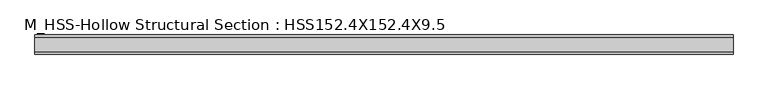
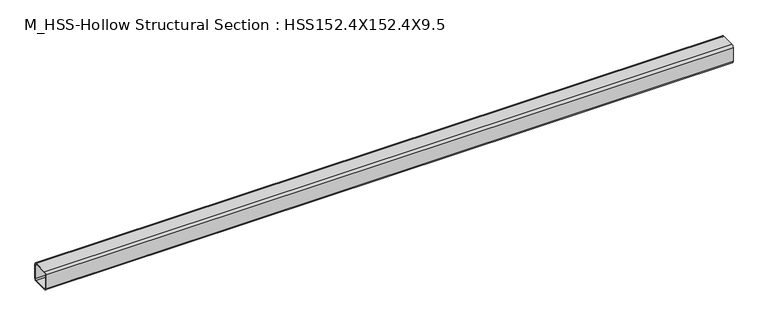
"""IFC4 building model written with IfcOpenShell, lengths in millimetres: member geometry, M_HSS-Hollow Structural Section : HSS152.4X152.4X9.5."""

import ifcopenshell
import ifcopenshell.guid

model = None  # the IFC model being written
_history = None  # IfcOwnerHistory: only IFC2X3 demands one
_inside = {}  # id of a spatial element -> (the spatial element, [elements in it])
_under = {}  # id of a project, library or spatial element -> (it, [spatial elements below it])
_declared = {}  # id of a project -> (the project, [libraries it declares])
_typed = {}  # id of a type object -> (the type object, [elements of that type])
_made_of = {}  # id of a material, layer set ... -> (it, [elements and type objects made of it])


def new_model(schema):
    """Start an empty IFC model of exactly this schema.

    Asked for "IFC4X3", IfcOpenShell would pick the latest addendum, in which some entities
    have other attributes; the version numbers below select the first issue.
    IFC2X3 requires an IfcOwnerHistory on every rooted entity: one is made here for all.
    """
    global model, _history
    if schema == "IFC4X3":
        model = ifcopenshell.file(schema_version=(4, 3, 0, 0))
    else:
        model = ifcopenshell.file(schema=schema)
    _inside.clear()
    _under.clear()
    _declared.clear()
    _typed.clear()
    _made_of.clear()
    _history = None
    if model.schema == "IFC2X3":
        org = make("IfcOrganization", Name="unknown")
        user = make(
            "IfcPersonAndOrganization",
            ThePerson=make("IfcPerson", FamilyName="unknown"),
            TheOrganization=org,
        )
        app = make(
            "IfcApplication",
            ApplicationDeveloper=org,
            Version="unknown",
            ApplicationFullName="unknown",
            ApplicationIdentifier="unknown",
        )
        _history = make(
            "IfcOwnerHistory",
            OwningUser=user,
            OwningApplication=app,
            ChangeAction="ADDED",
            CreationDate=0,
        )
    return model


def make(cls, **values):
    """One entity of the class cls with the attributes given. An attribute that is None is left unset."""
    return model.create_entity(
        cls, **{name: value for name, value in values.items() if value is not None}
    )


def rooted(cls, **values):
    """An entity with a GlobalId (a new one), such as an element, a storey or a relation."""
    return make(cls, GlobalId=ifcopenshell.guid.new(), OwnerHistory=_history, **values)


def si_unit(unit_type, name, prefix=None):
    """IfcSIUnit, for example si_unit("LENGTHUNIT", "METRE", prefix="MILLI")."""
    return make("IfcSIUnit", UnitType=unit_type, Prefix=prefix, Name=name)


def assignment(units):
    """IfcUnitAssignment: the units of a project."""
    return None if units is None else make("IfcUnitAssignment", Units=units)


def point(xyz):
    """IfcCartesianPoint."""
    return None if xyz is None else make("IfcCartesianPoint", Coordinates=xyz)


def direction(xyz):
    """IfcDirection."""
    return None if xyz is None else make("IfcDirection", DirectionRatios=xyz)


def frame(location, z_axis=None, x_axis=None):
    """IfcAxis2Placement3D, a coordinate frame: its origin and axes. An axis left out is left unset."""
    return make(
        "IfcAxis2Placement3D",
        Location=point(location),
        Axis=direction(z_axis),
        RefDirection=direction(x_axis),
    )


def frame_2d(location, x_axis=None):
    """IfcAxis2Placement2D, a coordinate frame in the plane: its origin and x axis."""
    return make(
        "IfcAxis2Placement2D", Location=point(location), RefDirection=direction(x_axis)
    )


def origin():
    """The frame at (0, 0, 0) with its axes left unset."""
    return frame((0.0, 0.0, 0.0))


def place(relative_to, where):
    """IfcLocalPlacement: puts the frame where relative to a parent placement (None: the world)."""
    return make(
        "IfcLocalPlacement", PlacementRelTo=relative_to, RelativePlacement=where
    )


def context(
    kind, dimensions, precision=None, world=None, true_north=None, identifier=None
):
    """IfcGeometricRepresentationContext, for example the 3D "Model" context."""
    return make(
        "IfcGeometricRepresentationContext",
        ContextIdentifier=identifier,
        ContextType=kind,
        CoordinateSpaceDimension=dimensions,
        Precision=precision,
        WorldCoordinateSystem=world,
        TrueNorth=true_north,
    )


def project(units=None, contexts=None):
    """IfcProject with its units and contexts."""
    return rooted(
        "IfcProject",
        Name="project",
        RepresentationContexts=contexts,
        UnitsInContext=assignment(units),
    )


def spatial(cls, under=None, at=None, **own):
    """A site, building, storey or space (cls), placed at a placement, below another one or the project."""
    s = rooted(cls, ObjectPlacement=at, **own)
    if under is not None:
        _under.setdefault(under.id(), (under, []))[1].append(s)
    return s


def polyline(points):
    """IfcPolyline through the points."""
    return make("IfcPolyline", Points=[point(p) for p in points])


def circle_curve(where, radius):
    """IfcCircle in the frame where."""
    return make("IfcCircle", Position=where, Radius=radius)


def trimmed(basis, trim1, trim2, sense, master):
    """IfcTrimmedCurve: the piece of a basis curve between two trims."""
    return make(
        "IfcTrimmedCurve",
        BasisCurve=basis,
        Trim1=trim1,
        Trim2=trim2,
        SenseAgreement=sense,
        MasterRepresentation=master,
    )


def segment(curve, same_sense, transition):
    """IfcCompositeCurveSegment."""
    return make(
        "IfcCompositeCurveSegment",
        Transition=transition,
        SameSense=same_sense,
        ParentCurve=curve,
    )


def composite_curve(segments, self_intersect=None):
    """IfcCompositeCurve: segments joined end to end."""
    return make("IfcCompositeCurve", Segments=segments, SelfIntersect=self_intersect)


def outline(outer, holes=None, kind="AREA"):
    """IfcArbitraryClosedProfileDef: a profile drawn as a closed curve; with holes, ...WithVoids."""
    if holes is None:
        return make("IfcArbitraryClosedProfileDef", ProfileType=kind, OuterCurve=outer)
    return make(
        "IfcArbitraryProfileDefWithVoids",
        ProfileType=kind,
        OuterCurve=outer,
        InnerCurves=holes,
    )


def extrude(swept, where, along, depth):
    """IfcExtrudedAreaSolid: the profile swept, set in the frame where, extruded along a direction by depth."""
    return make(
        "IfcExtrudedAreaSolid",
        SweptArea=swept,
        Position=where,
        ExtrudedDirection=direction(along),
        Depth=depth,
    )


def shape(context_of_items, identifier, shape_type, items):
    """IfcShapeRepresentation: the items that make up one representation, for example the "Body"."""
    return make(
        "IfcShapeRepresentation",
        ContextOfItems=context_of_items,
        RepresentationIdentifier=identifier,
        RepresentationType=shape_type,
        Items=items,
    )


def source(mapping_origin, context_of_items, identifier, shape_type, items):
    """IfcRepresentationMap: a shape defined once, which mapped items show again and again."""
    return make(
        "IfcRepresentationMap",
        MappingOrigin=mapping_origin,
        MappedRepresentation=shape(context_of_items, identifier, shape_type, items),
    )


def transform(
    local_origin,
    x_axis=None,
    y_axis=None,
    z_axis=None,
    scale=None,
    scale2=None,
    scale3=None,
    uniform=True,
):
    """IfcCartesianTransformationOperator3D, or its non-uniform kind. x_axis, y_axis, z_axis: its Axis1, 2, 3."""
    if uniform:
        return make(
            "IfcCartesianTransformationOperator3D",
            Axis1=direction(x_axis),
            Axis2=direction(y_axis),
            LocalOrigin=point(local_origin),
            Scale=scale,
            Axis3=direction(z_axis),
        )
    return make(
        "IfcCartesianTransformationOperator3DnonUniform",
        Axis1=direction(x_axis),
        Axis2=direction(y_axis),
        LocalOrigin=point(local_origin),
        Scale=scale,
        Axis3=direction(z_axis),
        Scale2=scale2,
        Scale3=scale3,
    )


def mapped(mapping_source, mapping_target):
    """IfcMappedItem: shows the shape of a source again, moved by a transform."""
    return make(
        "IfcMappedItem", MappingSource=mapping_source, MappingTarget=mapping_target
    )


def made_of(thing, what):
    """Note that an element or type object is made of a material, layer set ...; save() writes the relation."""
    if what is not None:
        _made_of.setdefault(what.id(), (what, []))[1].append(thing)
    return thing


def element(
    cls,
    number,
    at=None,
    inside=None,
    cuts=None,
    type_object=None,
    material=None,
    context=None,
    identifier="Body",
    shape_type=None,
    held_by="IfcProductDefinitionShape",
    body=None,
    shapes=None,
    **own,
):
    """One element of the class cls, such as IfcWall. Its Tag is "e" and its number.

    at: its placement. inside: the storey or other place that contains it. cuts: it is an
    opening in that element (IfcRelVoidsElement). A single representation is given by context,
    identifier, shape_type and body (its items); several are given by shapes. held_by: the class
    of the entity that holds the representations. save() writes the other relations.
    """
    e = rooted(cls, Tag="e%d" % number, ObjectPlacement=at, **own)
    if body is not None:
        shapes = [shape(context, identifier, shape_type, body)]
    if shapes is not None:
        e.Representation = make(held_by, Representations=shapes)
    if inside is not None:
        _inside.setdefault(inside.id(), (inside, []))[1].append(e)
    if cuts is not None:
        rooted(
            "IfcRelVoidsElement", RelatingBuildingElement=cuts, RelatedOpeningElement=e
        )
    if type_object is not None:
        _typed.setdefault(type_object.id(), (type_object, []))[1].append(e)
    return made_of(e, material)


def aggregate(whole, parts):
    """IfcRelAggregates: a whole, such as a stair, and the parts it consists of."""
    return rooted("IfcRelAggregates", RelatingObject=whole, RelatedObjects=parts)


def save(model, path):
    """Write the relations noted so far, then the file.

    IfcRelAggregates (storeys below a building ...), IfcRelContainedInSpatialStructure (elements
    in a storey), IfcRelDefinesByType, IfcRelAssociatesMaterial and IfcRelDeclares: one each for
    every whole, place, type object, material and project.
    """
    for whole, parts in _under.values():
        aggregate(whole, parts)
    for where, things in _inside.values():
        rooted(
            "IfcRelContainedInSpatialStructure",
            RelatedElements=things,
            RelatingStructure=where,
        )
    for kind, things in _typed.values():
        rooted("IfcRelDefinesByType", RelatedObjects=things, RelatingType=kind)
    for what, things in _made_of.values():
        rooted("IfcRelAssociatesMaterial", RelatedObjects=things, RelatingMaterial=what)
    for by, libraries in _declared.values():
        rooted("IfcRelDeclares", RelatingContext=by, RelatedDefinitions=libraries)
    model.write(path)


def m_hss_hollow_structural_section_hss152_4x152_4x9_5_ae6152ad(model_context):
    return source(origin(), model_context, "Body", "SweptSolid", [
        extrude(outline(composite_curve([segment(polyline([(76.0, 58.2), (76.0, -58.2)]), True, "CONTINUOUS"), segment(trimmed(circle_curve(frame_2d((58.2, -58.2)), 17.8), [point((76.0, -58.2))], [point((58.2, -76.0))], False, "CARTESIAN"), True, "CONTINUOUS"), segment(polyline([(58.2, -76.0), (-58.2, -76.0)]), True, "CONTINUOUS"), segment(trimmed(circle_curve(frame_2d((-58.2, -58.2)), 17.8), [point((-58.2, -76.0))], [point((-76.0, -58.2))], False, "CARTESIAN"), True, "CONTINUOUS"), segment(polyline([(-76.0, -58.2), (-76.0, 58.2)]), True, "CONTINUOUS"), segment(trimmed(circle_curve(frame_2d((-58.2, 58.2)), 17.8), [point((-76.0, 58.2))], [point((-58.2, 76.0))], False, "CARTESIAN"), True, "CONTINUOUS"), segment(polyline([(-58.2, 76.0), (58.2, 76.0)]), True, "CONTINUOUS"), segment(trimmed(circle_curve(frame_2d((58.2, 58.2)), 17.8), [point((58.2, 76.0))], [point((76.0, 58.2))], False, "CARTESIAN"), True, "CONTINUOUS")], self_intersect=False), holes=[composite_curve([segment(trimmed(circle_curve(frame_2d((-58.2, 58.2)), 8.9), [point((-58.2, 67.1))], [point((-67.1, 58.2))], True, "CARTESIAN"), True, "CONTINUOUS"), segment(polyline([(-67.1, 58.2), (-67.1, -58.2)]), True, "CONTINUOUS"), segment(trimmed(circle_curve(frame_2d((-58.2, -58.2)), 8.9), [point((-67.1, -58.2))], [point((-58.2, -67.1))], True, "CARTESIAN"), True, "CONTINUOUS"), segment(polyline([(-58.2, -67.1), (58.2, -67.1)]), True, "CONTINUOUS"), segment(trimmed(circle_curve(frame_2d((58.2, -58.2)), 8.9), [point((58.2, -67.1))], [point((67.1, -58.2))], True, "CARTESIAN"), True, "CONTINUOUS"), segment(polyline([(67.1, -58.2), (67.1, 58.2)]), True, "CONTINUOUS"), segment(trimmed(circle_curve(frame_2d((58.2, 58.2)), 8.9), [point((67.1, 58.2))], [point((58.2, 67.1))], True, "CARTESIAN"), True, "CONTINUOUS"), segment(polyline([(58.2, 67.1), (-58.2, 67.1)]), True, "CONTINUOUS")], self_intersect=False)]), frame((-2738.360504, 0.0, 0.0), z_axis=(1.0, 0.0, 0.0), x_axis=(0.0, 1.0, 0.0)), (0.0, 0.0, 1.0), 5553.4891021),
    ])


if __name__ == "__main__":
    model = new_model("IFC4")
    model_context = context("Model", 3, world=origin())
    ifc_project = project(units=[si_unit("LENGTHUNIT", "METRE", prefix="MILLI")], contexts=[model_context])
    site = spatial("IfcSite", under=ifc_project)
    building = spatial("IfcBuilding", under=site)
    placement = place(None, origin())
    m_hss_hollow_structural_section_hss152_4x152_4x9_5_shape = m_hss_hollow_structural_section_hss152_4x152_4x9_5_ae6152ad(model_context)
    element("IfcMember", 1, ObjectType="M_HSS-Hollow Structural Section : HSS152.4X152.4X9.5", at=placement, inside=building, context=model_context, shape_type="MappedRepresentation", body=[
        mapped(m_hss_hollow_structural_section_hss152_4x152_4x9_5_shape, transform((0.0, 0.0, 0.0), x_axis=(1.0, 0.0, 0.0), y_axis=(0.0, 1.0, 0.0), z_axis=(0.0, 0.0, 1.0))),
    ])
    save(model, "model.ifc")
